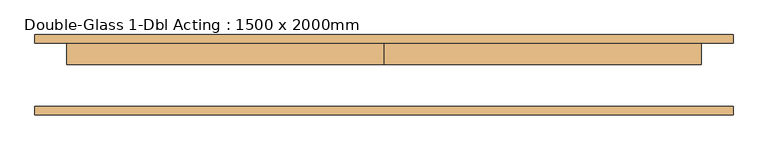
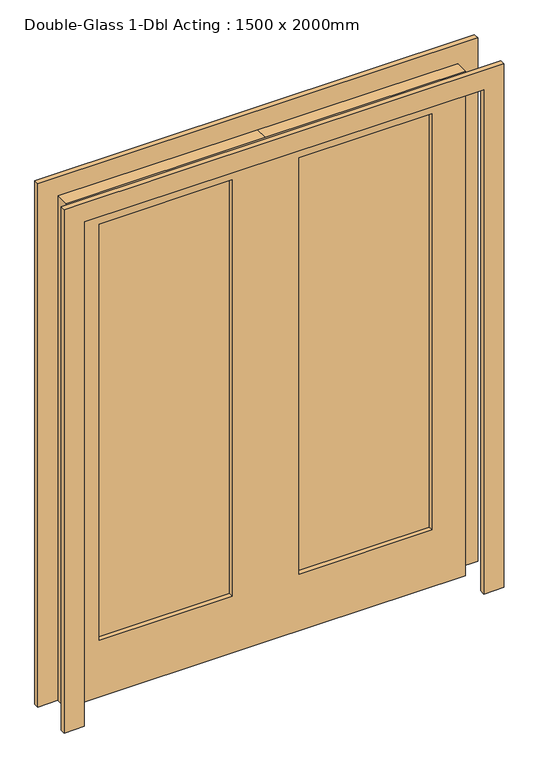
"""IFC4 building model written with IfcOpenShell, lengths in millimetres: door geometry, Double-Glass 1-Dbl Acting : 1500 x 2000mm."""

from ifc_helpers import new_model, si_unit, frame, origin, place, context, project, spatial, polyline, outline, extrude, source, transform, mapped, element, save


def double_glass_1_dbl_acting_1500_x_2000mm_851a56fc(model_context):
    return source(origin(), model_context, "Body", "SweptSolid", [
        extrude(outline(polyline([(125.0, 81.35), (625.0, 81.35), (625.0, 68.65), (125.0, 68.65), (125.0, 81.35)])), frame((0.0, 0.0, 225.0), z_axis=(0.0, 0.0, 1.0), x_axis=(1.0, 0.0, 0.0)), (0.0, 0.0, 1.0), 1650.0),
        extrude(outline(polyline([(-625.0, 81.35), (-125.0, 81.35), (-125.0, 68.65), (-625.0, 68.65), (-625.0, 81.35)])), frame((0.0, 0.0, 225.0), z_axis=(0.0, 0.0, 1.0), x_axis=(1.0, 0.0, 0.0)), (0.0, 0.0, 1.0), 1650.0),
        extrude(outline(polyline([(2000.0, -750.0), (2000.0, 750.0), (0.0, 750.0), (0.0, 825.0), (2075.0, 825.0), (2075.0, -825.0), (0.0, -825.0), (0.0, -750.0), (2000.0, -750.0)])), frame((0.0, -69.6, 0.0), z_axis=(0.0, 1.0, 0.0), x_axis=(0.0, 0.0, 1.0)), (0.0, 0.0, 1.0), 20.0),
        extrude(outline(polyline([(2000.0, -750.0), (2000.0, 750.0), (0.0, 750.0), (0.0, 825.0), (2075.0, 825.0), (2075.0, -825.0), (0.0, -825.0), (0.0, -750.0), (2000.0, -750.0)])), frame((0.0, 100.4, 0.0), z_axis=(0.0, 1.0, 0.0), x_axis=(0.0, 0.0, 1.0)), (0.0, 0.0, 1.0), 20.0),
        extrude(outline(polyline([(2000.0, 0.0), (2000.0, -750.0), (0.0, -750.0), (0.0, 0.0), (0.0, 750.0), (2000.0, 750.0), (2000.0, 0.0)]), holes=[polyline([(1875.0, 125.0), (1875.0, 625.0), (225.0, 625.0), (225.0, 125.0), (1875.0, 125.0)]), polyline([(1875.0, -125.0), (225.0, -125.0), (225.0, -625.0), (1875.0, -625.0), (1875.0, -125.0)])]), frame((0.0, 50.4, 0.0), z_axis=(0.0, 1.0, 0.0), x_axis=(0.0, 0.0, 1.0)), (0.0, 0.0, 1.0), 50.0),
    ])


if __name__ == "__main__":
    model = new_model("IFC4")
    model_context = context("Model", 3, world=origin())
    ifc_project = project(units=[si_unit("LENGTHUNIT", "METRE", prefix="MILLI")], contexts=[model_context])
    site = spatial("IfcSite", under=ifc_project)
    building = spatial("IfcBuilding", under=site)
    placement = place(None, origin())
    double_glass_1_dbl_acting_1500_x_2000mm_shape = double_glass_1_dbl_acting_1500_x_2000mm_851a56fc(model_context)
    element("IfcDoor", 1, ObjectType="Double-Glass 1-Dbl Acting : 1500 x 2000mm", at=placement, inside=building, context=model_context, shape_type="MappedRepresentation", body=[
        mapped(double_glass_1_dbl_acting_1500_x_2000mm_shape, transform((0.0, 0.0, 0.0), x_axis=(1.0, 0.0, 0.0), y_axis=(0.0, 1.0, 0.0), z_axis=(0.0, 0.0, 1.0))),
    ])
    save(model, "model.ifc")
